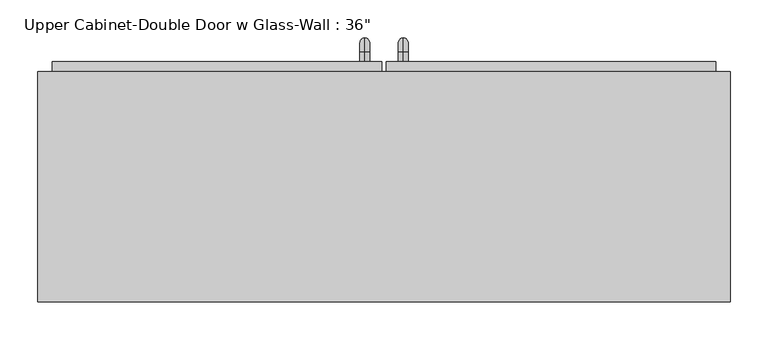
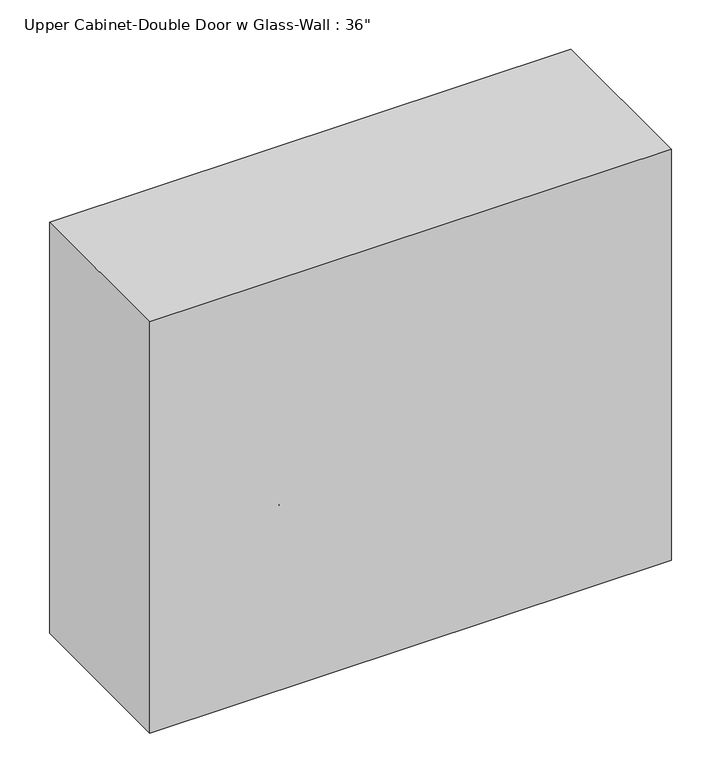
"""IFC4 building model written with IfcOpenShell, lengths in millimetres: furniture geometry."""

from ifc_helpers import new_model, si_unit, point, frame, origin, place, context, project, spatial, polyline, circle_curve, ellipse_curve, trimmed, outline, extrude, faceted_brep, source, transform, mapped, element, save
from ifc_brep_helpers import plane_surface, cylinder_surface, revolved_surface, advanced_brep


def furniture_dc2db369(model_context):
    return source(origin(), model_context, "Body", "SolidModel", [
        faceted_brep([(-427.4288372, 69.85, 2133.6), (-427.4288372, 69.85, 1371.6), (486.9711628, 69.85, 1371.6), (486.9711628, 69.85, 2133.6), (-427.4288372, 374.65, 2133.6), (486.9711628, 374.65, 2133.6), (486.9711628, 374.65, 1371.6), (-427.4288372, 374.65, 1371.6), (-408.3788372, 374.65, 2114.55), (-408.3788372, 374.65, 1390.65), (467.9211628, 374.65, 1390.65), (467.9211628, 374.65, 2114.55), (467.9211628, 88.9, 2114.55), (-408.3788372, 88.9, 2114.55), (467.9211628, 88.9, 1390.65), (-408.3788372, 88.9, 1390.65)], [[[0, 1, 2, 3]], [[4, 5, 6, 7], [8, 9, 10, 11]], [[1, 0, 4, 7]], [[2, 1, 7, 6]], [[3, 2, 6, 5]], [[0, 3, 5, 4]], [[8, 11, 12, 13]], [[11, 10, 14, 12]], [[10, 9, 15, 14]], [[9, 8, 13, 15]], [[13, 12, 14, 15]]]),
        advanced_brep(
        [(55.1711628, 387.35, 1517.65), (55.1711628, 387.35, 1530.35), (55.1711628, 400.05, 1517.65), (55.1711628, 400.05, 1530.35), (55.1711628, 419.1, 1511.3), (55.1711628, 406.4, 1511.3), (55.1711628, 406.4, 1435.1), (55.1711628, 419.1, 1435.1), (55.1711628, 400.05, 1416.05), (55.1711628, 400.05, 1428.75), (55.1711628, 387.35, 1428.75), (55.1711628, 387.35, 1416.05)],
        [
            (0, 1, circle_curve(frame((55.1711628, 387.35, 1524.0), z_axis=(0.0, -1.0, 0.0), x_axis=(0.0, 0.0, -1.0)), 6.35)),
            (1, 0, circle_curve(frame((55.1711628, 387.35, 1524.0), z_axis=(0.0, -1.0, 0.0), x_axis=(0.0, 0.0, -1.0)), 6.35)),
            (0, 2),
            (2, 3, circle_curve(frame((55.1711628, 400.05, 1524.0), z_axis=(0.0, -1.0, 0.0), x_axis=(0.0, 0.0, -1.0)), 6.35)),
            (3, 1),
            (3, 2, circle_curve(frame((55.1711628, 400.05, 1524.0), z_axis=(0.0, -1.0, 0.0), x_axis=(0.0, 0.0, -1.0)), 6.35)),
            (4, 3, circle_curve(frame((55.1711628, 400.05, 1511.3), z_axis=(1.0, 0.0, 0.0), x_axis=(0.0, 0.0, 1.0)), 19.05)),
            (2, 5, circle_curve(frame((55.1711628, 400.05, 1511.3), z_axis=(-1.0, 0.0, 0.0), x_axis=(0.0, 0.0, 1.0)), 6.35)),
            (5, 4, circle_curve(frame((55.1711628, 412.75, 1511.3), z_axis=(0.0, 0.0, 1.0), x_axis=(0.0, -1.0, 0.0)), 6.35)),
            (4, 5, circle_curve(frame((55.1711628, 412.75, 1511.3), z_axis=(0.0, 0.0, 1.0), x_axis=(0.0, -1.0, 0.0)), 6.35)),
            (5, 6),
            (6, 7, circle_curve(frame((55.1711628, 412.75, 1435.1), z_axis=(0.0, 0.0, 1.0), x_axis=(0.0, -1.0, 0.0)), 6.35)),
            (7, 4),
            (7, 6, circle_curve(frame((55.1711628, 412.75, 1435.1), z_axis=(0.0, 0.0, 1.0), x_axis=(0.0, -1.0, 0.0)), 6.35)),
            (8, 7, circle_curve(frame((55.1711628, 400.05, 1435.1), z_axis=(1.0, 0.0, 0.0), x_axis=(0.0, 1.0, 0.0)), 19.05)),
            (6, 9, circle_curve(frame((55.1711628, 400.05, 1435.1), z_axis=(-1.0, 0.0, 0.0), x_axis=(0.0, 1.0, 0.0)), 6.35)),
            (9, 8, circle_curve(frame((55.1711628, 400.05, 1422.4), z_axis=(0.0, 1.0, 0.0), x_axis=(0.0, 0.0, 1.0)), 6.35)),
            (8, 9, circle_curve(frame((55.1711628, 400.05, 1422.4), z_axis=(0.0, 1.0, 0.0), x_axis=(0.0, 0.0, 1.0)), 6.35)),
            (10, 11, circle_curve(frame((55.1711628, 387.35, 1422.4), z_axis=(0.0, -1.0, 0.0), x_axis=(0.0, 0.0, 1.0)), 6.35)),
            (11, 10, circle_curve(frame((55.1711628, 387.35, 1422.4), z_axis=(0.0, -1.0, 0.0), x_axis=(0.0, 0.0, 1.0)), 6.35)),
            (9, 10),
            (11, 8),
        ],
        [
            plane_surface(frame((48.8211628, 387.35, 1524.0), z_axis=(0.0, -1.0, 0.0), x_axis=(0.0, 0.0, 1.0))),
            cylinder_surface(frame((55.1711628, 387.35, 1524.0), z_axis=(0.0, -1.0, 0.0), x_axis=(0.0, 0.0, -1.0)), 6.35),
            revolved_surface(trimmed(ellipse_curve(frame((55.1711628, 400.05, 1524.0), z_axis=(0.0, -1.0, 0.0), x_axis=(0.0, 0.0, -1.0)), 6.35, 6.35), [point((55.1711628, 400.05, 1517.65))], [point((55.1711628, 400.05, 1530.35))], True, "CARTESIAN"), (55.1711628, 400.05, 1511.3), (-1.0, 0.0, 0.0)),
            revolved_surface(trimmed(ellipse_curve(frame((55.1711628, 400.05, 1524.0), z_axis=(0.0, -1.0, 0.0), x_axis=(0.0, 0.0, -1.0)), 6.35, 6.35), [point((55.1711628, 400.05, 1530.35))], [point((55.1711628, 400.05, 1517.65))], True, "CARTESIAN"), (55.1711628, 400.05, 1511.3), (-1.0, 0.0, 0.0)),
            cylinder_surface(frame((55.1711628, 412.75, 1511.3), z_axis=(0.0, 0.0, 1.0), x_axis=(0.0, -1.0, 0.0)), 6.35),
            revolved_surface(trimmed(ellipse_curve(frame((55.1711628, 412.75, 1435.1), z_axis=(0.0, 0.0, 1.0), x_axis=(0.0, -1.0, 0.0)), 6.35, 6.35), [point((55.1711628, 406.4, 1435.1))], [point((55.1711628, 419.1, 1435.1))], True, "CARTESIAN"), (55.1711628, 400.05, 1435.1), (-1.0, 0.0, 0.0)),
            revolved_surface(trimmed(ellipse_curve(frame((55.1711628, 412.75, 1435.1), z_axis=(0.0, 0.0, 1.0), x_axis=(0.0, -1.0, 0.0)), 6.35, 6.35), [point((55.1711628, 419.1, 1435.1))], [point((55.1711628, 406.4, 1435.1))], True, "CARTESIAN"), (55.1711628, 400.05, 1435.1), (-1.0, 0.0, 0.0)),
            plane_surface(frame((48.8211628, 387.35, 1422.4), z_axis=(0.0, -1.0, 0.0), x_axis=(0.0, 0.0, -1.0))),
            cylinder_surface(frame((55.1711628, 400.05, 1422.4), z_axis=(0.0, 1.0, 0.0), x_axis=(0.0, 0.0, 1.0)), 6.35),
        ],
        [
            (0, [[1, 2]]),
            (1, [[-1, 3, 4, 5]]),
            (1, [[-2, -5, 6, -3]]),
            (2, [[7, -4, 8, 9]]),
            (3, [[-8, -6, -7, 10]]),
            (4, [[-9, 11, 12, 13]]),
            (4, [[-10, -13, 14, -11]]),
            (5, [[15, -12, 16, 17]]),
            (6, [[-16, -14, -15, 18]]),
            (7, [[19, 20]]),
            (8, [[-17, 21, -20, 22]]),
            (8, [[-18, -22, -19, -21]]),
        ],
    ),
        advanced_brep(
        [(4.3711628, 387.35, 1517.65), (4.3711628, 387.35, 1530.35), (4.3711628, 400.05, 1517.65), (4.3711628, 400.05, 1530.35), (4.3711628, 419.1, 1511.3), (4.3711628, 406.4, 1511.3), (4.3711628, 406.4, 1435.1), (4.3711628, 419.1, 1435.1), (4.3711628, 400.05, 1416.05), (4.3711628, 400.05, 1428.75), (4.3711628, 387.35, 1428.75), (4.3711628, 387.35, 1416.05)],
        [
            (0, 1, circle_curve(frame((4.3711628, 387.35, 1524.0), z_axis=(0.0, -1.0, 0.0), x_axis=(0.0, 0.0, 1.0)), 6.35)),
            (1, 0, circle_curve(frame((4.3711628, 387.35, 1524.0), z_axis=(0.0, -1.0, 0.0), x_axis=(0.0, 0.0, 1.0)), 6.35)),
            (0, 2),
            (2, 3, circle_curve(frame((4.3711628, 400.05, 1524.0), z_axis=(0.0, -1.0, 0.0), x_axis=(0.0, 0.0, 1.0)), 6.35)),
            (3, 1),
            (3, 2, circle_curve(frame((4.3711628, 400.05, 1524.0), z_axis=(0.0, -1.0, 0.0), x_axis=(0.0, 0.0, 1.0)), 6.35)),
            (4, 3, circle_curve(frame((4.3711628, 400.05, 1511.3), z_axis=(1.0, 0.0, 0.0), x_axis=(0.0, 0.0, 1.0)), 19.05)),
            (2, 5, circle_curve(frame((4.3711628, 400.05, 1511.3), z_axis=(-1.0, 0.0, 0.0), x_axis=(0.0, 0.0, 1.0)), 6.35)),
            (5, 4, circle_curve(frame((4.3711628, 412.75, 1511.3), z_axis=(0.0, 0.0, 1.0), x_axis=(0.0, 1.0, 0.0)), 6.35)),
            (4, 5, circle_curve(frame((4.3711628, 412.75, 1511.3), z_axis=(0.0, 0.0, 1.0), x_axis=(0.0, 1.0, 0.0)), 6.35)),
            (5, 6),
            (6, 7, circle_curve(frame((4.3711628, 412.75, 1435.1), z_axis=(0.0, 0.0, 1.0), x_axis=(0.0, 1.0, 0.0)), 6.35)),
            (7, 4),
            (7, 6, circle_curve(frame((4.3711628, 412.75, 1435.1), z_axis=(0.0, 0.0, 1.0), x_axis=(0.0, 1.0, 0.0)), 6.35)),
            (8, 7, circle_curve(frame((4.3711628, 400.05, 1435.1), z_axis=(1.0, 0.0, 0.0), x_axis=(0.0, 1.0, 0.0)), 19.05)),
            (6, 9, circle_curve(frame((4.3711628, 400.05, 1435.1), z_axis=(-1.0, 0.0, 0.0), x_axis=(0.0, 1.0, 0.0)), 6.35)),
            (9, 8, circle_curve(frame((4.3711628, 400.05, 1422.4), z_axis=(0.0, 1.0, 0.0), x_axis=(0.0, 0.0, -1.0)), 6.35)),
            (8, 9, circle_curve(frame((4.3711628, 400.05, 1422.4), z_axis=(0.0, 1.0, 0.0), x_axis=(0.0, 0.0, -1.0)), 6.35)),
            (10, 11, circle_curve(frame((4.3711628, 387.35, 1422.4), z_axis=(0.0, -1.0, 0.0), x_axis=(0.0, 0.0, -1.0)), 6.35)),
            (11, 10, circle_curve(frame((4.3711628, 387.35, 1422.4), z_axis=(0.0, -1.0, 0.0), x_axis=(0.0, 0.0, -1.0)), 6.35)),
            (9, 10),
            (11, 8),
        ],
        [
            plane_surface(frame((-1.9788372, 387.35, 1524.0), z_axis=(0.0, -1.0, 0.0), x_axis=(0.0, 0.0, 1.0))),
            cylinder_surface(frame((4.3711628, 387.35, 1524.0), z_axis=(0.0, -1.0, 0.0), x_axis=(0.0, 0.0, 1.0)), 6.35),
            revolved_surface(trimmed(ellipse_curve(frame((4.3711628, 400.05, 1524.0), z_axis=(0.0, -1.0, 0.0), x_axis=(0.0, 0.0, 1.0)), 6.35, 6.35), [point((4.3711628, 400.05, 1517.65))], [point((4.3711628, 400.05, 1530.35))], True, "CARTESIAN"), (4.3711628, 400.05, 1511.3), (-1.0, 0.0, 0.0)),
            revolved_surface(trimmed(ellipse_curve(frame((4.3711628, 400.05, 1524.0), z_axis=(0.0, -1.0, 0.0), x_axis=(0.0, 0.0, 1.0)), 6.35, 6.35), [point((4.3711628, 400.05, 1530.35))], [point((4.3711628, 400.05, 1517.65))], True, "CARTESIAN"), (4.3711628, 400.05, 1511.3), (-1.0, 0.0, 0.0)),
            cylinder_surface(frame((4.3711628, 412.75, 1511.3), z_axis=(0.0, 0.0, 1.0), x_axis=(0.0, 1.0, 0.0)), 6.35),
            revolved_surface(trimmed(ellipse_curve(frame((4.3711628, 412.75, 1435.1), z_axis=(0.0, 0.0, 1.0), x_axis=(0.0, 1.0, 0.0)), 6.35, 6.35), [point((4.3711628, 406.4, 1435.1))], [point((4.3711628, 419.1, 1435.1))], True, "CARTESIAN"), (4.3711628, 400.05, 1435.1), (-1.0, 0.0, 0.0)),
            revolved_surface(trimmed(ellipse_curve(frame((4.3711628, 412.75, 1435.1), z_axis=(0.0, 0.0, 1.0), x_axis=(0.0, 1.0, 0.0)), 6.35, 6.35), [point((4.3711628, 419.1, 1435.1))], [point((4.3711628, 406.4, 1435.1))], True, "CARTESIAN"), (4.3711628, 400.05, 1435.1), (-1.0, 0.0, 0.0)),
            plane_surface(frame((-1.9788372, 387.35, 1422.4), z_axis=(0.0, -1.0, 0.0), x_axis=(0.0, 0.0, -1.0))),
            cylinder_surface(frame((4.3711628, 400.05, 1422.4), z_axis=(0.0, 1.0, 0.0), x_axis=(0.0, 0.0, -1.0)), 6.35),
        ],
        [
            (0, [[1, 2]]),
            (1, [[-1, 3, 4, 5]]),
            (1, [[-2, -5, 6, -3]]),
            (2, [[7, -4, 8, 9]]),
            (3, [[-8, -6, -7, 10]]),
            (4, [[-9, 11, 12, 13]]),
            (4, [[-10, -13, 14, -11]]),
            (5, [[15, -12, 16, 17]]),
            (6, [[-16, -14, -15, 18]]),
            (7, [[19, 20]]),
            (8, [[-17, 21, -20, 22]]),
            (8, [[-18, -22, -19, -21]]),
        ],
    ),
        extrude(outline(polyline([(64.6961628, 368.3), (436.1711628, 368.3), (436.1711628, 361.95), (64.6961628, 361.95), (64.6961628, 368.3)])), frame((0.0, 0.0, 1422.4), z_axis=(0.0, 0.0, 1.0), x_axis=(1.0, 0.0, 0.0)), (0.0, 0.0, 1.0), 660.4),
        extrude(outline(polyline([(-376.6288372, 368.3), (-5.1538372, 368.3), (-5.1538372, 361.95), (-376.6288372, 361.95), (-376.6288372, 368.3)])), frame((0.0, 0.0, 1422.4), z_axis=(0.0, 0.0, 1.0), x_axis=(1.0, 0.0, 0.0)), (0.0, 0.0, 1.0), 660.4),
        extrude(outline(polyline([(2114.55, 32.9461628), (1390.65, 32.9461628), (1390.65, 467.9211628), (2114.55, 467.9211628), (2114.55, 32.9461628)]), holes=[polyline([(1422.4, 64.6961628), (2082.8, 64.6961628), (2082.8, 436.1711628), (1422.4, 436.1711628), (1422.4, 64.6961628)])]), frame((0.0, 355.6, 0.0), z_axis=(0.0, 1.0, 0.0), x_axis=(0.0, 0.0, 1.0)), (0.0, 0.0, 1.0), 31.75),
        extrude(outline(polyline([(1390.65, -408.3788372), (1390.65, 26.5961628), (2114.55, 26.5961628), (2114.55, -408.3788372), (1390.65, -408.3788372)]), holes=[polyline([(2082.8, -5.1538372), (1422.4, -5.1538372), (1422.4, -376.6288372), (2082.8, -376.6288372), (2082.8, -5.1538372)])]), frame((0.0, 355.6, 0.0), z_axis=(0.0, 1.0, 0.0), x_axis=(0.0, 0.0, 1.0)), (0.0, 0.0, 1.0), 31.75),
    ])


if __name__ == "__main__":
    model = new_model("IFC4")
    model_context = context("Model", 3, world=origin())
    ifc_project = project(units=[si_unit("LENGTHUNIT", "METRE", prefix="MILLI")], contexts=[model_context])
    site = spatial("IfcSite", under=ifc_project)
    building = spatial("IfcBuilding", under=site)
    placement = place(None, origin())
    furniture_shape = furniture_dc2db369(model_context)
    element("IfcFurniture", 1, ObjectType="Upper Cabinet-Double Door w Glass-Wall : 36\"", at=placement, inside=building, context=model_context, shape_type="MappedRepresentation", body=[
        mapped(furniture_shape, transform((0.0, 0.0, 0.0), x_axis=(1.0, 0.0, 0.0), y_axis=(0.0, 1.0, 0.0), z_axis=(0.0, 0.0, 1.0))),
    ])
    save(model, "model.ifc")
